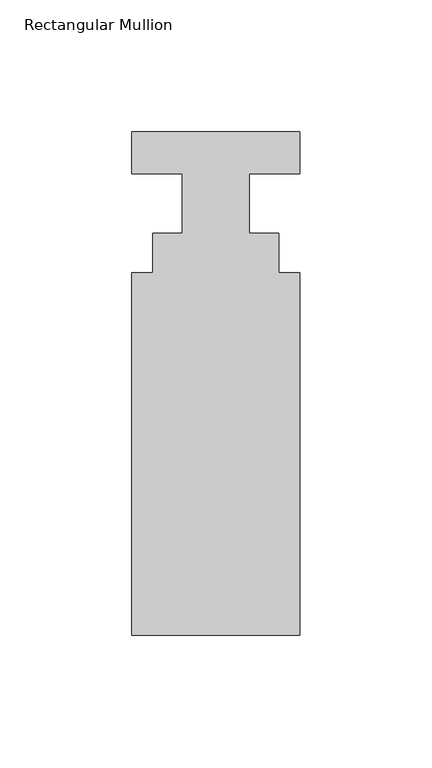
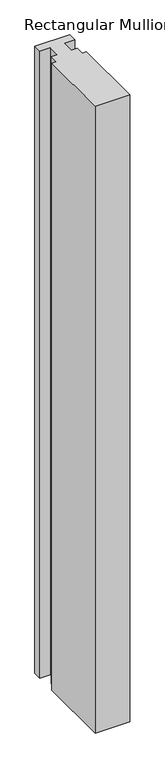
"""IFC4 building model written with IfcOpenShell, lengths in millimetres: member geometry, Rectangular Mullion."""

from ifc_helpers import new_model, si_unit, frame, origin, place, context, project, spatial, polyline, outline, extrude, source, transform, mapped, element, save


def rectangular_mullion_090f916c(model_context):
    return source(origin(), model_context, "Body", "SweptSolid", [
        extrude(outline(polyline([(31.75, -190.4007813), (-31.75, -190.4007813), (-31.75, -53.0629812), (-23.8252, -53.0629812), (-23.8252, -38.0007813), (-12.7, -38.0007813), (-12.7, -15.5217813), (-31.75, -15.5217813), (-31.75, 0.3532187), (31.75, 0.3532187), (31.75, -15.5217813), (12.7, -15.5217813), (12.7, -38.0007813), (23.8252, -38.0007813), (23.8252, -53.0629813), (31.75, -53.0629813), (31.75, -190.4007813)])), frame((0.0, 0.0, -1214.7606032), z_axis=(0.0, 0.0, 1.0), x_axis=(1.0, 0.0, 0.0)), (0.0, 0.0, 1.0), 1214.7606032),
    ])


if __name__ == "__main__":
    model = new_model("IFC4")
    model_context = context("Model", 3, world=origin())
    ifc_project = project(units=[si_unit("LENGTHUNIT", "METRE", prefix="MILLI")], contexts=[model_context])
    site = spatial("IfcSite", under=ifc_project)
    building = spatial("IfcBuilding", under=site)
    placement = place(None, origin())
    rectangular_mullion_shape = rectangular_mullion_090f916c(model_context)
    element("IfcMember", 1, ObjectType="Rectangular Mullion", at=placement, inside=building, context=model_context, shape_type="MappedRepresentation", body=[
        mapped(rectangular_mullion_shape, transform((0.0, 0.0, 0.0), x_axis=(1.0, 0.0, 0.0), y_axis=(0.0, 1.0, 0.0), z_axis=(0.0, 0.0, 1.0))),
    ])
    save(model, "model.ifc")
